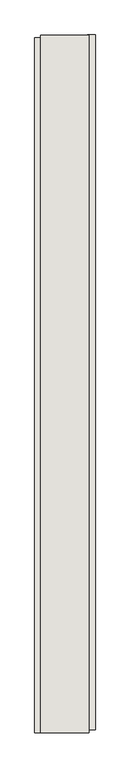
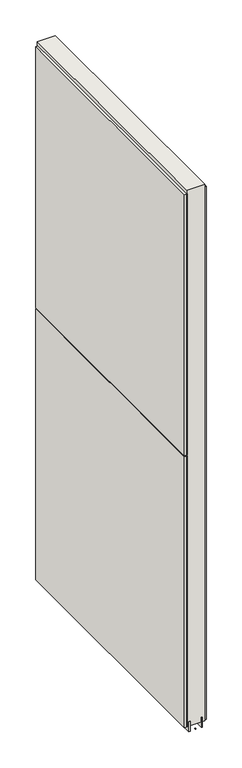
"""IFC4 building model written with IfcOpenShell, lengths in millimetres: wall geometry."""

from ifc_helpers import new_model, si_unit, frame, origin, place, context, project, spatial, polyline, outline, extrude, source, transform, mapped, element, save


def wall_67550bf5(model_context):
    return source(origin(), model_context, "Body", "SweptSolid", [
        extrude(outline(polyline([(54639.882211, -54562.5684718), (54639.882211, -54565.1084718), (54637.342211, -54565.1084718), (54637.342211, -54562.5684718), (54639.882211, -54562.5684718)])), frame((0.0, 0.0, 4419.6), z_axis=(0.0, 0.0, 1.0), x_axis=(1.0, 0.0, 0.0)), (0.0, 0.0, 1.0), 2.54),
        extrude(outline(polyline([(54587.812211, -54565.57159), (54587.812211, -53401.171582), (54600.512211, -53401.171582), (54600.512211, -54565.57159), (54587.812211, -54565.57159)])), frame((0.0, 0.0, 5742.399869), z_axis=(0.0, 0.0, 1.0), x_axis=(1.0, 0.0, 0.0)), (0.0, 0.0, 1.0), 1247.649905),
        extrude(outline(polyline([(54587.812211, -54565.57159), (54587.812211, -53401.171582), (54600.512211, -53401.171582), (54600.512211, -54565.57159), (54587.812211, -54565.57159)])), frame((0.0, 0.0, 4445.0), z_axis=(0.0, 0.0, 1.0), x_axis=(1.0, 0.0, 0.0)), (0.0, 0.0, 1.0), 1293.400004),
        extrude(outline(polyline([(54689.412211, -53396.2478428), (54689.412211, -54560.6478508), (54676.712211, -54560.6478508), (54676.712211, -53396.2478428), (54689.412211, -53396.2478428)])), frame((0.0, 0.0, 4445.0), z_axis=(0.0, 0.0, 1.0), x_axis=(1.0, 0.0, 0.0)), (0.0, 0.0, 1.0), 2545.0498756),
        extrude(outline(polyline([(54613.5284664, -53396.715914), (54613.5284664, -54565.115914), (54608.449711, -54565.115914), (54608.449711, -53396.715914), (54613.5284664, -53396.715914)])), frame((0.0, 0.0, 4418.6602), z_axis=(0.0, 0.0, 1.0), x_axis=(1.0, 0.0, 0.0)), (0.0, 0.0, 1.0), 47.625),
        extrude(outline(polyline([(54613.5284664, -53396.715914), (54613.5284664, -54565.115914), (54608.449711, -54565.115914), (54608.449711, -53396.715914), (54613.5284664, -53396.715914)])), frame((0.0, 0.0, 4418.6602), z_axis=(0.0, 0.0, 1.0), x_axis=(1.0, 0.0, 0.0)), (0.0, 0.0, 1.0), 47.625),
        extrude(outline(polyline([(54663.6959556, -54565.115914), (54663.6959556, -53396.715914), (54668.774711, -53396.715914), (54668.774711, -54565.115914), (54663.6959556, -54565.115914)])), frame((0.0, 0.0, 4418.6602), z_axis=(0.0, 0.0, 1.0), x_axis=(1.0, 0.0, 0.0)), (0.0, 0.0, 1.0), 47.625),
        extrude(outline(polyline([(54663.6959556, -54565.115914), (54663.6959556, -53396.715914), (54668.774711, -53396.715914), (54668.774711, -54565.115914), (54663.6959556, -54565.115914)])), frame((0.0, 0.0, 4418.6602), z_axis=(0.0, 0.0, 1.0), x_axis=(1.0, 0.0, 0.0)), (0.0, 0.0, 1.0), 47.625),
        extrude(outline(polyline([(54597.9573266, -53396.715914), (54679.2670954, -53396.715914), (54679.2670954, -54565.115914), (54597.9573266, -54565.115914), (54597.9573266, -53396.715914)])), frame((0.0, 0.0, 4445.0), z_axis=(0.0, 0.0, 1.0), x_axis=(1.0, 0.0, 0.0)), (0.0, 0.0, 1.0), 2562.4536762),
    ])


if __name__ == "__main__":
    model = new_model("IFC4")
    model_context = context("Model", 3, world=origin())
    ifc_project = project(units=[si_unit("LENGTHUNIT", "METRE", prefix="MILLI")], contexts=[model_context])
    site = spatial("IfcSite", under=ifc_project)
    building = spatial("IfcBuilding", under=site)
    placement = place(None, origin())
    wall_shape = wall_67550bf5(model_context)
    element("IfcWall", 1, at=placement, inside=building, context=model_context, shape_type="MappedRepresentation", body=[
        mapped(wall_shape, transform((0.0, 0.0, 0.0), x_axis=(1.0, 0.0, 0.0), y_axis=(0.0, 1.0, 0.0), z_axis=(0.0, 0.0, 1.0))),
    ])
    save(model, "model.ifc")
